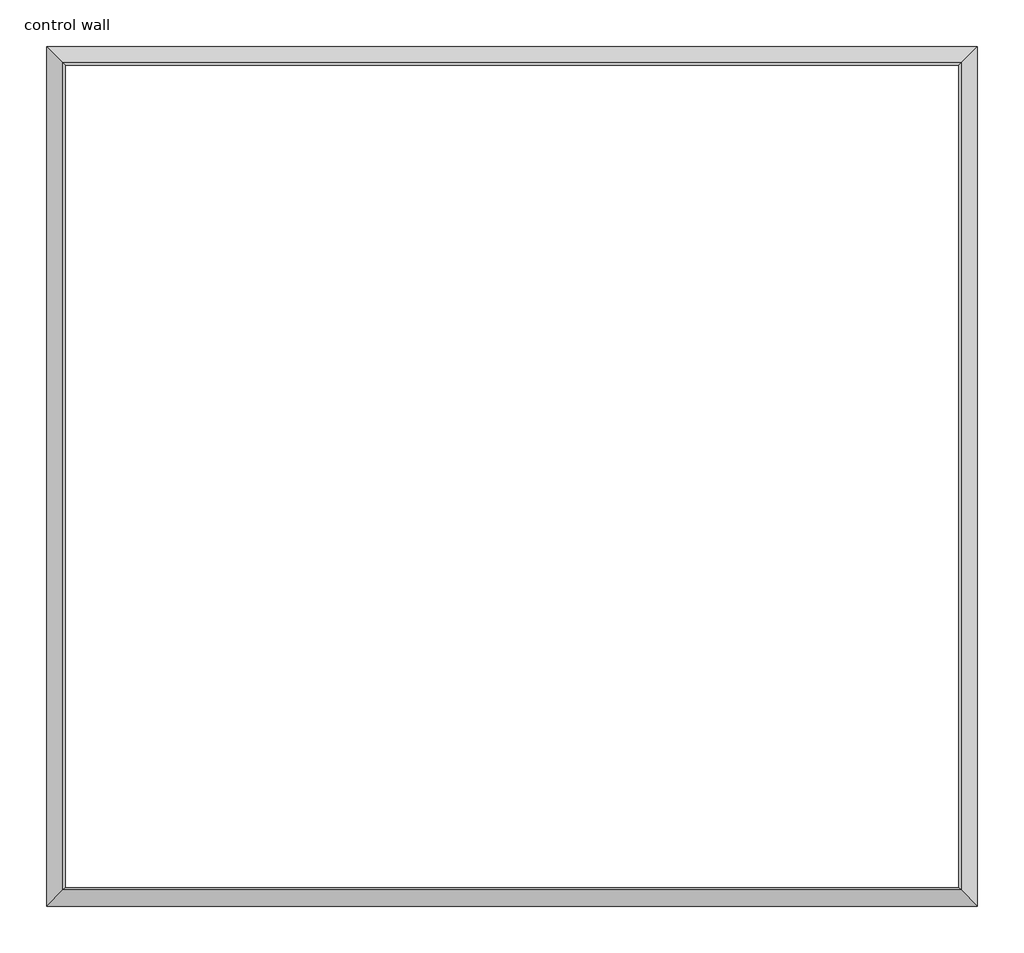
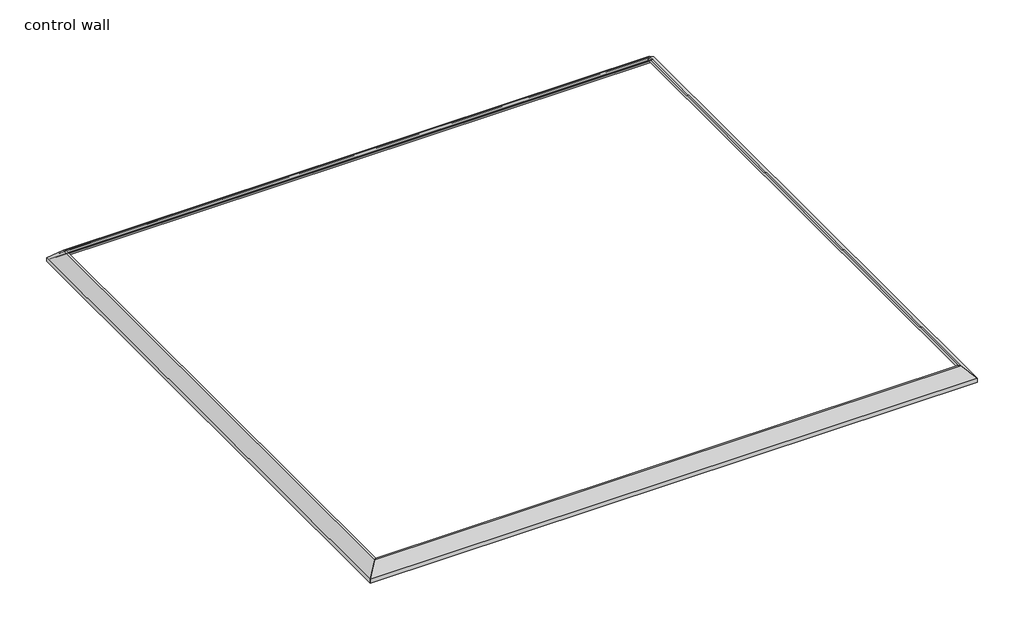
# One storey: 4 proxies.
"""IFC4 building model written with IfcOpenShell, lengths in millimetres."""

from ifc_helpers import new_model, si_unit, frame, origin, place, context, project, spatial, polyline, ellipse_curve, element, save
from ifc_brep_helpers import plane_surface, cylinder_surface, revolved_surface, advanced_brep

model = new_model("IFC4")

# Units and contexts
model_context = context("Model", 3, world=origin())
ifc_project = project(units=[si_unit("LENGTHUNIT", "METRE", prefix="MILLI")], contexts=[model_context])

# Site, building, storey
site = spatial("IfcSite", under=ifc_project)
building = spatial("IfcBuilding", under=site)
storey = spatial("IfcBuildingStorey", under=building, Name="control wall", Elevation=2133.6)

# Proxies
placement = place(None, origin())
element("IfcBuildingElementProxy", 1, Name="Wall Sweeps", at=placement, inside=storey, context=model_context, shape_type="AdvancedBrep", body=[
    advanced_brep(
    [(22844.2157735, -16979.1148982, 2678.1793892), (22844.2157735, -16979.1148982, 2654.3), (22835.2355173, -16970.1346421, 2654.3), (22835.2355173, -16970.1346421, 2663.2802561), (22821.7651332, -16956.6642579, 2676.7506403), (22821.7651332, -16956.6642579, 2683.1006403), (22801.2404533, -16936.139578, 2703.6253202), (22780.7157735, -16915.6148982, 2724.15), (22771.0924647, -16905.9915894, 2724.15), (22771.0924647, -16905.9915894, 2743.2), (22779.1951626, -16914.0942874, 2743.2), (19161.2157735, -16979.1148982, 2678.1793892), (19226.2363843, -16914.0942874, 2743.2), (19234.3390823, -16905.9915894, 2743.2), (19234.3390823, -16905.9915894, 2724.15), (19224.7157735, -16915.6148982, 2724.15), (19204.1910936, -16936.139578, 2703.6253202), (19183.6664138, -16956.6642579, 2683.1006403), (19183.6664138, -16956.6642579, 2676.7506403), (19170.1960296, -16970.1346421, 2663.2802561), (19170.1960296, -16970.1346421, 2654.3), (19161.2157735, -16979.1148982, 2654.3)],
    [
        (0, 1),
        (1, 2),
        (2, 3),
        (3, 4, ellipse_curve(frame((22821.7651332, -16956.6642579, 2663.2802561), z_axis=(-0.7071067811865547, -0.7071067811865405, 0.0), x_axis=(-0.7071067811865405, 0.7071067811865547, 0.0)), 19.05, 13.4703842)),
        (4, 5),
        (5, 6, ellipse_curve(frame((22821.7651332, -16956.6642579, 2703.6253202), z_axis=(0.7071067811865547, 0.7071067811865405, 0.0), x_axis=(0.7071067811865405, -0.7071067811865547, 0.0)), 29.0262806, 20.5246798)),
        (6, 7, ellipse_curve(frame((22780.7157735, -16915.6148982, 2703.6253202), z_axis=(-0.7071067811865547, -0.7071067811865405, 0.0), x_axis=(-0.7071067811865405, 0.7071067811865547, 0.0)), 29.0262806, 20.5246798)),
        (7, 8),
        (8, 9),
        (9, 10),
        (10, 0),
        (11, 12),
        (12, 13),
        (13, 14),
        (14, 15),
        (15, 16, ellipse_curve(frame((19224.7157735, -16915.6148982, 2703.6253202), z_axis=(0.707106781186544, -0.7071067811865511, 0.0), x_axis=(-0.7071067811865509, -0.707106781186544, 0.0)), 29.0262806, 20.5246798)),
        (16, 17, ellipse_curve(frame((19183.6664138, -16956.6642579, 2703.6253202), z_axis=(-0.707106781186544, 0.7071067811865511, 0.0), x_axis=(0.7071067811865509, 0.707106781186544, 0.0)), 29.0262806, 20.5246798)),
        (17, 18),
        (18, 19, ellipse_curve(frame((19183.6664138, -16956.6642579, 2663.2802561), z_axis=(0.707106781186544, -0.7071067811865511, 0.0), x_axis=(-0.7071067811865509, -0.707106781186544, 0.0)), 19.05, 13.4703842)),
        (19, 20),
        (20, 21),
        (21, 11),
        (0, 11),
        (21, 1),
        (20, 2),
        (19, 3),
        (18, 4),
        (17, 5),
        (16, 6),
        (15, 7),
        (14, 8),
        (13, 9),
        (12, 10),
    ],
    [
        plane_surface(frame((22844.2157735, -16979.1148982, 2959.1), z_axis=(0.7071067811865547, 0.7071067811865405, 0.0), x_axis=(-0.7071067811865405, 0.7071067811865547, 0.0))),
        plane_surface(frame((19161.2157735, -16979.1148982, 2959.1), z_axis=(-0.707106781186544, 0.7071067811865511, 0.0), x_axis=(0.7071067811865511, 0.707106781186544, 0.0))),
        plane_surface(frame((22844.2157735, -16979.1148982, 2678.1793892), z_axis=(0.0, -1.0, 0.0), x_axis=(-1.0, 0.0, 0.0))),
        plane_surface(frame((22844.2157735, -16979.1148982, 2654.3), z_axis=(0.0, 0.0, -1.0), x_axis=(-1.0, 0.0, 0.0))),
        plane_surface(frame((22835.2355173, -16970.1346421, 2654.3), z_axis=(0.0, 1.0, 0.0), x_axis=(-1.0, 0.0, 0.0))),
        revolved_surface(polyline([(19170.1960296, -16943.1938737, 2663.2802561), (22835.235517381603, -16943.1938737, 2663.2802561)]), (22844.2157735, -16956.6642579, 2663.2802561), (-1.0, 0.0, 0.0)),
        plane_surface(frame((22821.7651332, -16956.6642579, 2676.7506403), z_axis=(0.0, 1.0, 0.0), x_axis=(-1.0, 0.0, 0.0))),
        cylinder_surface(frame((22844.2157735, -16956.6642579, 2703.6253202), z_axis=(1.0, 0.0, 0.0), x_axis=(0.0, 1.0, 0.0)), 20.5246798),
        revolved_surface(polyline([(19204.1910936, -16895.0902184, 2703.6253202), (22801.240453344883, -16895.0902184, 2703.6253202)]), (22844.2157735, -16915.6148982, 2703.6253202), (-1.0, 0.0, 0.0)),
        plane_surface(frame((22780.7157735, -16915.6148982, 2724.15), z_axis=(0.0, 0.0, -1.0), x_axis=(-1.0, 0.0, 0.0))),
        plane_surface(frame((22771.0924647, -16905.9915894, 2724.15), z_axis=(0.0, 1.0, 0.0), x_axis=(-1.0, 0.0, 0.0))),
        plane_surface(frame((22771.0924647, -16905.9915894, 2743.2), z_axis=(0.0, 0.0, 1.0), x_axis=(-1.0, 0.0, 0.0))),
        plane_surface(frame((22779.1951626, -16914.0942874, 2743.2), z_axis=(0.0, -0.707106781186547, 0.707106781186548), x_axis=(-1.0, 0.0, 0.0))),
    ],
    [
        (0, [[1, 2, 3, 4, 5, 6, 7, 8, 9, 10, 11]]),
        (1, [[12, 13, 14, 15, 16, 17, 18, 19, 20, 21, 22]]),
        (2, [[-1, 23, -22, 24]]),
        (3, [[-2, -24, -21, 25]]),
        (4, [[-3, -25, -20, 26]]),
        (5, [[-4, -26, -19, 27]]),
        (6, [[-5, -27, -18, 28]]),
        (7, [[-6, -28, -17, 29]]),
        (8, [[-7, -29, -16, 30]]),
        (9, [[-8, -30, -15, 31]]),
        (10, [[-9, -31, -14, 32]]),
        (11, [[-10, -32, -13, 33]]),
        (12, [[-11, -33, -12, -23]]),
    ],
),
])
element("IfcBuildingElementProxy", 2, Name="Wall Sweeps", at=placement, inside=storey, context=model_context, shape_type="AdvancedBrep", body=[
    advanced_brep(
    [(22844.2157735, -13575.4621382, 2678.1793892), (22844.2157735, -13575.4621382, 2654.3), (22835.2355173, -13584.4423943, 2654.3), (22835.2355173, -13584.4423943, 2663.2802561), (22821.7651332, -13597.9127785, 2676.7506403), (22821.7651332, -13597.9127785, 2683.1006403), (22801.2404533, -13618.4374584, 2703.6253202), (22780.7157735, -13638.9621382, 2724.15), (22771.0924647, -13648.585447, 2724.15), (22771.0924647, -13648.585447, 2743.2), (22779.1951626, -13640.482749, 2743.2), (22844.2157735, -16979.1148982, 2678.1793892), (22779.1951626, -16914.0942874, 2743.2), (22771.0924647, -16905.9915894, 2743.2), (22771.0924647, -16905.9915894, 2724.15), (22780.7157735, -16915.6148982, 2724.15), (22801.2404533, -16936.139578, 2703.6253202), (22821.7651332, -16956.6642579, 2683.1006403), (22821.7651332, -16956.6642579, 2676.7506403), (22835.2355173, -16970.1346421, 2663.2802561), (22835.2355173, -16970.1346421, 2654.3), (22844.2157735, -16979.1148982, 2654.3)],
    [
        (0, 1),
        (1, 2),
        (2, 3),
        (3, 4, ellipse_curve(frame((22821.7651332, -13597.9127785, 2663.2802561), z_axis=(0.707106781186544, -0.7071067811865511, 0.0), x_axis=(-0.7071067811865511, -0.7071067811865439, 0.0)), 19.05, 13.4703842)),
        (4, 5),
        (5, 6, ellipse_curve(frame((22821.7651332, -13597.9127785, 2703.6253202), z_axis=(-0.707106781186544, 0.7071067811865511, 0.0), x_axis=(0.7071067811865511, 0.7071067811865439, 0.0)), 29.0262806, 20.5246798)),
        (6, 7, ellipse_curve(frame((22780.7157735, -13638.9621382, 2703.6253202), z_axis=(0.707106781186544, -0.7071067811865511, 0.0), x_axis=(-0.7071067811865511, -0.7071067811865439, 0.0)), 29.0262806, 20.5246798)),
        (7, 8),
        (8, 9),
        (9, 10),
        (10, 0),
        (11, 12),
        (12, 13),
        (13, 14),
        (14, 15),
        (15, 16, ellipse_curve(frame((22780.7157735, -16915.6148982, 2703.6253202), z_axis=(0.7071067811865547, 0.7071067811865405, 0.0), x_axis=(0.7071067811865405, -0.7071067811865545, 0.0)), 29.0262806, 20.5246798)),
        (16, 17, ellipse_curve(frame((22821.7651332, -16956.6642579, 2703.6253202), z_axis=(-0.7071067811865547, -0.7071067811865405, 0.0), x_axis=(-0.7071067811865405, 0.7071067811865545, 0.0)), 29.0262806, 20.5246798)),
        (17, 18),
        (18, 19, ellipse_curve(frame((22821.7651332, -16956.6642579, 2663.2802561), z_axis=(0.7071067811865547, 0.7071067811865405, 0.0), x_axis=(0.7071067811865405, -0.7071067811865545, 0.0)), 19.05, 13.4703842)),
        (19, 20),
        (20, 21),
        (21, 11),
        (0, 11),
        (21, 1),
        (20, 2),
        (19, 3),
        (18, 4),
        (17, 5),
        (16, 6),
        (15, 7),
        (14, 8),
        (13, 9),
        (12, 10),
    ],
    [
        plane_surface(frame((22844.2157735, -13575.4621382, 2959.1), z_axis=(-0.707106781186544, 0.7071067811865511, 0.0), x_axis=(-0.7071067811865511, -0.707106781186544, 0.0))),
        plane_surface(frame((22844.2157735, -16979.1148982, 2959.1), z_axis=(-0.7071067811865547, -0.7071067811865405, 0.0), x_axis=(-0.7071067811865405, 0.7071067811865547, 0.0))),
        plane_surface(frame((22844.2157735, -13575.4621382, 2678.1793892), z_axis=(1.0, 0.0, 0.0), x_axis=(0.0, -1.0, 0.0))),
        plane_surface(frame((22844.2157735, -13575.4621382, 2654.3), z_axis=(0.0, 0.0, -1.0), x_axis=(0.0, -1.0, 0.0))),
        plane_surface(frame((22835.2355173, -13584.4423943, 2654.3), z_axis=(-1.0, 0.0, 0.0), x_axis=(0.0, -1.0, 0.0))),
        revolved_surface(polyline([(22808.294748999997, -16970.1346421, 2663.2802561), (22808.294748999997, -13584.4423943, 2663.2802561)]), (22821.7651332, -13575.4621382, 2663.2802561), (0.0, -1.0, 0.0)),
        plane_surface(frame((22821.7651332, -13597.9127785, 2676.7506403), z_axis=(-1.0, 0.0, 0.0), x_axis=(0.0, -1.0, 0.0))),
        cylinder_surface(frame((22821.7651332, -13575.4621382, 2703.6253202), z_axis=(0.0, 1.0, 0.0), x_axis=(-1.0, 0.0, 0.0)), 20.5246798),
        revolved_surface(polyline([(22760.1910937, -16936.139578044884, 2703.6253202), (22760.1910937, -13618.437458355116, 2703.6253202)]), (22780.7157735, -13575.4621382, 2703.6253202), (0.0, -1.0, 0.0)),
        plane_surface(frame((22780.7157735, -13638.9621382, 2724.15), z_axis=(0.0, 0.0, -1.0), x_axis=(0.0, -1.0, 0.0))),
        plane_surface(frame((22771.0924647, -13648.585447, 2724.15), z_axis=(-1.0, 0.0, 0.0), x_axis=(0.0, -1.0, 0.0))),
        plane_surface(frame((22771.0924647, -13648.585447, 2743.2), z_axis=(0.0, 0.0, 1.0), x_axis=(0.0, -1.0, 0.0))),
        plane_surface(frame((22779.1951626, -13640.482749, 2743.2), z_axis=(0.707106781186547, 0.0, 0.707106781186548), x_axis=(0.0, -1.0, 0.0))),
    ],
    [
        (0, [[1, 2, 3, 4, 5, 6, 7, 8, 9, 10, 11]]),
        (1, [[12, 13, 14, 15, 16, 17, 18, 19, 20, 21, 22]]),
        (2, [[-1, 23, -22, 24]]),
        (3, [[-2, -24, -21, 25]]),
        (4, [[-3, -25, -20, 26]]),
        (5, [[-4, -26, -19, 27]]),
        (6, [[-5, -27, -18, 28]]),
        (7, [[-6, -28, -17, 29]]),
        (8, [[-7, -29, -16, 30]]),
        (9, [[-8, -30, -15, 31]]),
        (10, [[-9, -31, -14, 32]]),
        (11, [[-10, -32, -13, 33]]),
        (12, [[-11, -33, -12, -23]]),
    ],
),
])
element("IfcBuildingElementProxy", 3, Name="Wall Sweeps", at=placement, inside=storey, context=model_context, shape_type="AdvancedBrep", body=[
    advanced_brep(
    [(19161.2157735, -16979.1148982, 2678.1793892), (19161.2157735, -16979.1148982, 2654.3), (19170.1960296, -16970.1346421, 2654.3), (19170.1960296, -16970.1346421, 2663.2802561), (19183.6664138, -16956.6642579, 2676.7506403), (19183.6664138, -16956.6642579, 2683.1006403), (19204.1910936, -16936.139578, 2703.6253202), (19224.7157735, -16915.6148982, 2724.15), (19234.3390823, -16905.9915894, 2724.15), (19234.3390823, -16905.9915894, 2743.2), (19226.2363843, -16914.0942874, 2743.2), (19161.2157735, -13575.4621382, 2678.1793892), (19226.2363843, -13640.482749, 2743.2), (19234.3390823, -13648.585447, 2743.2), (19234.3390823, -13648.585447, 2724.15), (19224.7157735, -13638.9621382, 2724.15), (19204.1910936, -13618.4374584, 2703.6253202), (19183.6664138, -13597.9127785, 2683.1006403), (19183.6664138, -13597.9127785, 2676.7506403), (19170.1960296, -13584.4423943, 2663.2802561), (19170.1960296, -13584.4423943, 2654.3), (19161.2157735, -13575.4621382, 2654.3)],
    [
        (0, 1),
        (1, 2),
        (2, 3),
        (3, 4, ellipse_curve(frame((19183.6664138, -16956.6642579, 2663.2802561), z_axis=(-0.707106781186544, 0.7071067811865511, 0.0), x_axis=(0.7071067811865511, 0.7071067811865439, 0.0)), 19.05, 13.4703842)),
        (4, 5),
        (5, 6, ellipse_curve(frame((19183.6664138, -16956.6642579, 2703.6253202), z_axis=(0.707106781186544, -0.7071067811865511, 0.0), x_axis=(-0.7071067811865511, -0.7071067811865439, 0.0)), 29.0262806, 20.5246798)),
        (6, 7, ellipse_curve(frame((19224.7157735, -16915.6148982, 2703.6253202), z_axis=(-0.707106781186544, 0.7071067811865511, 0.0), x_axis=(0.7071067811865511, 0.7071067811865439, 0.0)), 29.0262806, 20.5246798)),
        (7, 8),
        (8, 9),
        (9, 10),
        (10, 0),
        (11, 12),
        (12, 13),
        (13, 14),
        (14, 15),
        (15, 16, ellipse_curve(frame((19224.7157735, -13638.9621382, 2703.6253202), z_axis=(-0.7071067811865511, -0.707106781186544, 0.0), x_axis=(-0.707106781186544, 0.7071067811865509, 0.0)), 29.0262806, 20.5246798)),
        (16, 17, ellipse_curve(frame((19183.6664138, -13597.9127785, 2703.6253202), z_axis=(0.7071067811865511, 0.707106781186544, 0.0), x_axis=(0.707106781186544, -0.7071067811865509, 0.0)), 29.0262806, 20.5246798)),
        (17, 18),
        (18, 19, ellipse_curve(frame((19183.6664138, -13597.9127785, 2663.2802561), z_axis=(-0.7071067811865511, -0.707106781186544, 0.0), x_axis=(-0.707106781186544, 0.7071067811865509, 0.0)), 19.05, 13.4703842)),
        (19, 20),
        (20, 21),
        (21, 11),
        (0, 11),
        (21, 1),
        (20, 2),
        (19, 3),
        (18, 4),
        (17, 5),
        (16, 6),
        (15, 7),
        (14, 8),
        (13, 9),
        (12, 10),
    ],
    [
        plane_surface(frame((19161.2157735, -16979.1148982, 2959.1), z_axis=(0.707106781186544, -0.7071067811865511, 0.0), x_axis=(0.7071067811865511, 0.707106781186544, 0.0))),
        plane_surface(frame((19161.2157735, -13575.4621382, 2959.1), z_axis=(0.7071067811865511, 0.707106781186544, 0.0), x_axis=(0.707106781186544, -0.7071067811865511, 0.0))),
        plane_surface(frame((19161.2157735, -16979.1148982, 2678.1793892), z_axis=(-1.0, 0.0, 0.0), x_axis=(0.0, 1.0, 0.0))),
        plane_surface(frame((19161.2157735, -16979.1148982, 2654.3), z_axis=(0.0, 0.0, -1.0), x_axis=(0.0, 1.0, 0.0))),
        plane_surface(frame((19170.1960296, -16970.1346421, 2654.3), z_axis=(1.0, 0.0, 0.0), x_axis=(0.0, 1.0, 0.0))),
        revolved_surface(polyline([(19197.136798000003, -13584.4423943, 2663.2802561), (19197.136798000003, -16970.1346421, 2663.2802561)]), (19183.6664138, -16979.1148982, 2663.2802561), (0.0, 1.0, 0.0)),
        plane_surface(frame((19183.6664138, -16956.6642579, 2676.7506403), z_axis=(1.0, 0.0, 0.0), x_axis=(0.0, 1.0, 0.0))),
        cylinder_surface(frame((19183.6664138, -16979.1148982, 2703.6253202), z_axis=(0.0, -1.0, 0.0), x_axis=(1.0, 0.0, 0.0)), 20.5246798),
        revolved_surface(polyline([(19245.2404533, -13618.437458355116, 2703.6253202), (19245.2404533, -16936.139578044884, 2703.6253202)]), (19224.7157735, -16979.1148982, 2703.6253202), (0.0, 1.0, 0.0)),
        plane_surface(frame((19224.7157735, -16915.6148982, 2724.15), z_axis=(0.0, 0.0, -1.0), x_axis=(0.0, 1.0, 0.0))),
        plane_surface(frame((19234.3390823, -16905.9915894, 2724.15), z_axis=(1.0, 0.0, 0.0), x_axis=(0.0, 1.0, 0.0))),
        plane_surface(frame((19234.3390823, -16905.9915894, 2743.2), z_axis=(0.0, 0.0, 1.0), x_axis=(0.0, 1.0, 0.0))),
        plane_surface(frame((19226.2363843, -16914.0942874, 2743.2), z_axis=(-0.707106781186547, 0.0, 0.707106781186548), x_axis=(0.0, 1.0, 0.0))),
    ],
    [
        (0, [[1, 2, 3, 4, 5, 6, 7, 8, 9, 10, 11]]),
        (1, [[12, 13, 14, 15, 16, 17, 18, 19, 20, 21, 22]]),
        (2, [[-1, 23, -22, 24]]),
        (3, [[-2, -24, -21, 25]]),
        (4, [[-3, -25, -20, 26]]),
        (5, [[-4, -26, -19, 27]]),
        (6, [[-5, -27, -18, 28]]),
        (7, [[-6, -28, -17, 29]]),
        (8, [[-7, -29, -16, 30]]),
        (9, [[-8, -30, -15, 31]]),
        (10, [[-9, -31, -14, 32]]),
        (11, [[-10, -32, -13, 33]]),
        (12, [[-11, -33, -12, -23]]),
    ],
),
])
element("IfcBuildingElementProxy", 4, Name="Wall Sweeps", at=placement, inside=storey, context=model_context, shape_type="AdvancedBrep", body=[
    advanced_brep(
    [(19161.2157735, -13575.4621382, 2678.1793892), (19161.2157735, -13575.4621382, 2654.3), (19170.1960296, -13584.4423943, 2654.3), (19170.1960296, -13584.4423943, 2663.2802561), (19183.6664138, -13597.9127785, 2676.7506403), (19183.6664138, -13597.9127785, 2683.1006403), (19204.1910936, -13618.4374584, 2703.6253202), (19224.7157735, -13638.9621382, 2724.15), (19234.3390823, -13648.585447, 2724.15), (19234.3390823, -13648.585447, 2743.2), (19226.2363843, -13640.482749, 2743.2), (22844.2157735, -13575.4621382, 2678.1793892), (22779.1951626, -13640.482749, 2743.2), (22771.0924647, -13648.585447, 2743.2), (22771.0924647, -13648.585447, 2724.15), (22780.7157735, -13638.9621382, 2724.15), (22801.2404533, -13618.4374584, 2703.6253202), (22821.7651332, -13597.9127785, 2683.1006403), (22821.7651332, -13597.9127785, 2676.7506403), (22835.2355173, -13584.4423943, 2663.2802561), (22835.2355173, -13584.4423943, 2654.3), (22844.2157735, -13575.4621382, 2654.3)],
    [
        (0, 1),
        (1, 2),
        (2, 3),
        (3, 4, ellipse_curve(frame((19183.6664138, -13597.9127785, 2663.2802561), z_axis=(0.7071067811865511, 0.707106781186544, 0.0), x_axis=(0.7071067811865439, -0.7071067811865511, 0.0)), 19.05, 13.4703842)),
        (4, 5),
        (5, 6, ellipse_curve(frame((19183.6664138, -13597.9127785, 2703.6253202), z_axis=(-0.7071067811865511, -0.707106781186544, 0.0), x_axis=(-0.7071067811865439, 0.7071067811865511, 0.0)), 29.0262806, 20.5246798)),
        (6, 7, ellipse_curve(frame((19224.7157735, -13638.9621382, 2703.6253202), z_axis=(0.7071067811865511, 0.707106781186544, 0.0), x_axis=(0.7071067811865439, -0.7071067811865511, 0.0)), 29.0262806, 20.5246798)),
        (7, 8),
        (8, 9),
        (9, 10),
        (10, 0),
        (11, 12),
        (12, 13),
        (13, 14),
        (14, 15),
        (15, 16, ellipse_curve(frame((22780.7157735, -13638.9621382, 2703.6253202), z_axis=(-0.707106781186544, 0.7071067811865511, 0.0), x_axis=(0.7071067811865509, 0.707106781186544, 0.0)), 29.0262806, 20.5246798)),
        (16, 17, ellipse_curve(frame((22821.7651332, -13597.9127785, 2703.6253202), z_axis=(0.707106781186544, -0.7071067811865511, 0.0), x_axis=(-0.7071067811865509, -0.707106781186544, 0.0)), 29.0262806, 20.5246798)),
        (17, 18),
        (18, 19, ellipse_curve(frame((22821.7651332, -13597.9127785, 2663.2802561), z_axis=(-0.707106781186544, 0.7071067811865511, 0.0), x_axis=(0.7071067811865509, 0.707106781186544, 0.0)), 19.05, 13.4703842)),
        (19, 20),
        (20, 21),
        (21, 11),
        (0, 11),
        (21, 1),
        (20, 2),
        (19, 3),
        (18, 4),
        (17, 5),
        (16, 6),
        (15, 7),
        (14, 8),
        (13, 9),
        (12, 10),
    ],
    [
        plane_surface(frame((19161.2157735, -13575.4621382, 2959.1), z_axis=(-0.7071067811865511, -0.707106781186544, 0.0), x_axis=(0.707106781186544, -0.7071067811865511, 0.0))),
        plane_surface(frame((22844.2157735, -13575.4621382, 2959.1), z_axis=(0.707106781186544, -0.7071067811865511, 0.0), x_axis=(-0.7071067811865511, -0.707106781186544, 0.0))),
        plane_surface(frame((19161.2157735, -13575.4621382, 2678.1793892), z_axis=(0.0, 1.0, 0.0), x_axis=(1.0, 0.0, 0.0))),
        plane_surface(frame((19161.2157735, -13575.4621382, 2654.3), z_axis=(0.0, 0.0, -1.0), x_axis=(1.0, 0.0, 0.0))),
        plane_surface(frame((19170.1960296, -13584.4423943, 2654.3), z_axis=(0.0, -1.0, 0.0), x_axis=(1.0, 0.0, 0.0))),
        revolved_surface(polyline([(22835.235517381603, -13611.3831627, 2663.2802561), (19170.1960296, -13611.3831627, 2663.2802561)]), (19161.2157735, -13597.9127785, 2663.2802561), (1.0, 0.0, 0.0)),
        plane_surface(frame((19183.6664138, -13597.9127785, 2676.7506403), z_axis=(0.0, -1.0, 0.0), x_axis=(1.0, 0.0, 0.0))),
        cylinder_surface(frame((19161.2157735, -13597.9127785, 2703.6253202), z_axis=(-1.0, 0.0, 0.0), x_axis=(0.0, -1.0, 0.0)), 20.5246798),
        revolved_surface(polyline([(22801.240453344883, -13659.486818000001, 2703.6253202), (19204.1910936, -13659.486818000001, 2703.6253202)]), (19161.2157735, -13638.9621382, 2703.6253202), (1.0, 0.0, 0.0)),
        plane_surface(frame((19224.7157735, -13638.9621382, 2724.15), z_axis=(0.0, 0.0, -1.0), x_axis=(1.0, 0.0, 0.0))),
        plane_surface(frame((19234.3390823, -13648.585447, 2724.15), z_axis=(0.0, -1.0, 0.0), x_axis=(1.0, 0.0, 0.0))),
        plane_surface(frame((19234.3390823, -13648.585447, 2743.2), z_axis=(0.0, 0.0, 1.0), x_axis=(1.0, 0.0, 0.0))),
        plane_surface(frame((19226.2363843, -13640.482749, 2743.2), z_axis=(0.0, 0.707106781186547, 0.707106781186548), x_axis=(1.0, 0.0, 0.0))),
    ],
    [
        (0, [[1, 2, 3, 4, 5, 6, 7, 8, 9, 10, 11]]),
        (1, [[12, 13, 14, 15, 16, 17, 18, 19, 20, 21, 22]]),
        (2, [[-1, 23, -22, 24]]),
        (3, [[-2, -24, -21, 25]]),
        (4, [[-3, -25, -20, 26]]),
        (5, [[-4, -26, -19, 27]]),
        (6, [[-5, -27, -18, 28]]),
        (7, [[-6, -28, -17, 29]]),
        (8, [[-7, -29, -16, 30]]),
        (9, [[-8, -30, -15, 31]]),
        (10, [[-9, -31, -14, 32]]),
        (11, [[-10, -32, -13, 33]]),
        (12, [[-11, -33, -12, -23]]),
    ],
),
])

save(model, "model.ifc")
